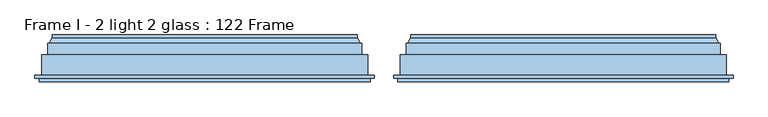
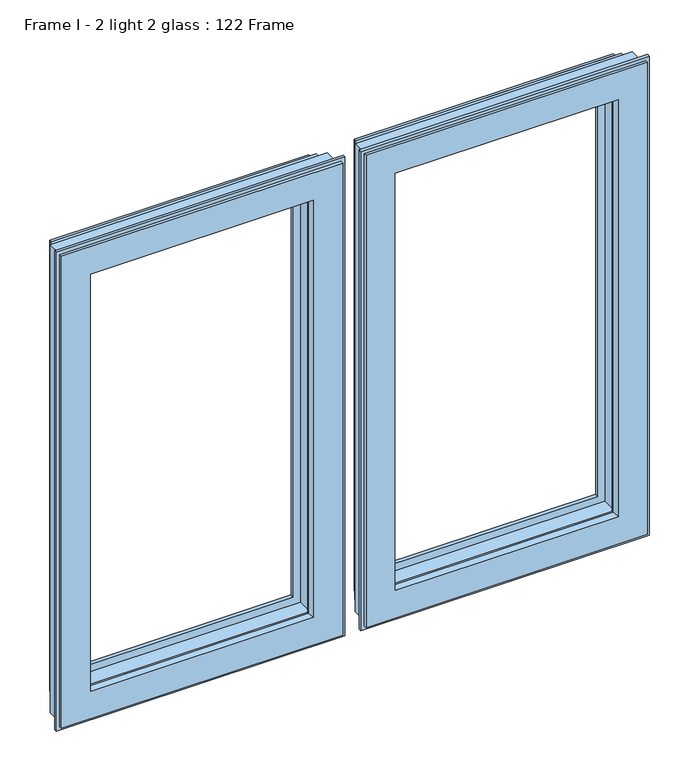
"""IFC4 building model written with IfcOpenShell, lengths in millimetres: window geometry, Frame I - 2 light 2 glass : 122 Frame."""

from ifc_helpers import new_model, si_unit, frame, origin, place, context, project, spatial, polyline, ellipse_curve, source, transform, mapped, element, save
from ifc_brep_helpers import plane_surface, cylinder_surface, revolved_surface, advanced_brep


def frame_i_2_light_2_glass_122_frame_6c9105bb(model_context):
    return source(origin(), model_context, "Body", "AdvancedBrep", [
        advanced_brep(
        [(43.2001533, 148.4070391, 1768.7998467), (43.2001533, 153.0, 1768.7998467), (43.2001533, 153.0, 867.6001533), (43.2001533, 148.4070391, 867.6001533), (532.3998467, 153.0, 1768.7998467), (532.3998467, 153.0, 867.6001533), (62.6368924, 153.0, 887.0368924), (512.9631076, 153.0, 887.0368924), (512.9631076, 153.0, 1749.3631076), (62.6368924, 153.0, 1749.3631076), (532.3998467, 148.4070391, 867.6001533), (37.9260611, 139.5531262, 1774.0739389), (37.9260611, 139.5531262, 862.3260611), (537.6739389, 139.5531262, 862.3260611), (36.0866045, 139.5531262, 1775.9133955), (539.5133955, 139.5531262, 1775.9133955), (539.5133955, 139.5531262, 860.4866045), (36.0866045, 139.5531262, 860.4866045), (537.6739389, 139.5531262, 1774.0739389), (36.0866045, 121.0, 1775.9133955), (36.0866045, 121.0, 860.4866045), (539.5133955, 121.0, 860.4866045), (26.0866045, 121.0, 1785.9133955), (549.5133955, 121.0, 1785.9133955), (549.5133955, 121.0, 850.4866045), (26.0866045, 121.0, 850.4866045), (539.5133955, 121.0, 1775.9133955), (26.0866045, 88.5, 1785.9133955), (26.0866045, 88.5, 850.4866045), (549.5133955, 88.5, 850.4866045), (15.3023, 88.5, 1796.6977), (560.2976999, 88.5, 1796.6977), (560.2976999, 88.5, 839.7023001), (15.3023, 88.5, 839.7023001), (549.5133955, 88.5, 1785.9133955), (15.3023, 83.5, 1796.6977), (15.3023, 83.5, 839.7023001), (560.2976999, 83.5, 839.7023001), (560.2976999, 83.5, 1796.6977), (22.1, 83.5, 1789.9), (553.5, 83.5, 1789.9), (553.5, 83.5, 846.5), (22.1, 83.5, 846.5), (22.1, 78.0, 1789.9), (22.1, 78.0, 846.5), (553.5, 78.0, 846.5), (553.5, 78.0, 1789.9), (77.2842184, 78.0, 1734.7157816), (498.3157816, 78.0, 1734.7157816), (498.3157816, 78.0, 901.6842184), (77.2842184, 78.0, 901.6842184), (79.5996933, 88.8934531, 1732.4003067), (79.5996933, 88.8934531, 903.9996933), (496.0003067, 88.8934531, 903.9996933), (79.5996933, 93.0, 1732.4003067), (79.5996933, 93.0, 903.9996933), (496.0003067, 93.0, 903.9996933), (65.6, 93.0, 1746.4), (510.0, 93.0, 1746.4), (510.0, 93.0, 890.0), (65.6, 93.0, 890.0), (496.0003067, 93.0, 1732.4003067), (65.6, 141.0, 1746.4), (65.6, 141.0, 890.0), (510.0, 141.0, 890.0), (510.0, 141.0, 1746.4), (80.0121514, 141.0, 1731.9878486), (495.5878486, 141.0, 1731.9878486), (495.5878486, 141.0, 904.4121514), (80.0121514, 141.0, 904.4121514), (76.3433832, 153.0, 1735.6566168), (76.3433832, 153.0, 900.7433832), (499.2566168, 153.0, 900.7433832), (69.5650956, 153.0, 1742.4349044), (506.0349044, 153.0, 1742.4349044), (506.0349044, 153.0, 893.9650956), (69.5650956, 153.0, 893.9650956), (499.2566168, 153.0, 1735.6566168), (68.2660575, 152.25, 1743.7339425), (68.2660575, 152.25, 892.6660575), (507.3339425, 152.25, 892.6660575), (63.9359305, 152.25, 1748.0640695), (63.9359305, 152.25, 888.3359305), (511.6640695, 152.25, 888.3359305), (532.3998467, 148.4070391, 1768.7998467), (496.0003067, 88.8934531, 1732.4003067), (507.3339425, 152.25, 1743.7339425), (511.6640695, 152.25, 1748.0640695)],
        [
            (0, 1),
            (1, 2),
            (2, 3),
            (3, 0),
            (1, 4),
            (4, 5),
            (5, 2),
            (6, 7),
            (7, 8),
            (8, 9),
            (9, 6),
            (5, 10),
            (10, 3),
            (11, 0),
            (3, 12),
            (12, 11),
            (10, 13),
            (13, 12),
            (14, 15),
            (15, 16),
            (16, 17),
            (17, 14),
            (13, 18),
            (18, 11),
            (19, 14),
            (17, 20),
            (20, 19),
            (16, 21),
            (21, 20),
            (22, 23),
            (23, 24),
            (24, 25),
            (25, 22),
            (21, 26),
            (26, 19),
            (27, 22),
            (25, 28),
            (28, 27),
            (24, 29),
            (29, 28),
            (30, 31),
            (31, 32),
            (32, 33),
            (33, 30),
            (29, 34),
            (34, 27),
            (35, 30),
            (33, 36),
            (36, 35),
            (32, 37),
            (37, 36),
            (37, 38),
            (38, 35),
            (39, 40),
            (40, 41),
            (41, 42),
            (42, 39),
            (43, 39),
            (42, 44),
            (44, 43),
            (41, 45),
            (45, 44),
            (45, 46),
            (46, 43),
            (47, 48),
            (48, 49),
            (49, 50),
            (50, 47),
            (51, 47),
            (50, 52),
            (52, 51),
            (49, 53),
            (53, 52),
            (54, 51),
            (52, 55),
            (55, 54),
            (53, 56),
            (56, 55),
            (57, 58),
            (58, 59),
            (59, 60),
            (60, 57),
            (56, 61),
            (61, 54),
            (62, 57),
            (60, 63),
            (63, 62),
            (59, 64),
            (64, 63),
            (64, 65),
            (65, 62),
            (66, 67),
            (67, 68),
            (68, 69),
            (69, 66),
            (70, 66),
            (69, 71),
            (71, 70),
            (68, 72),
            (72, 71),
            (73, 74),
            (74, 75),
            (75, 76),
            (76, 73),
            (72, 77),
            (77, 70),
            (78, 73, ellipse_curve(frame((69.5650956, 151.5, 1742.4349044), z_axis=(-0.7071067811865475, 0.0, -0.7071067811865475), x_axis=(-0.7071067811865474, 0.0, 0.7071067811865476)), 2.1213203, 1.5)),
            (76, 79, ellipse_curve(frame((69.5650956, 151.5, 893.9650956), z_axis=(-0.7071067811865475, 0.0, 0.7071067811865475), x_axis=(0.7071067811865474, 0.0, 0.7071067811865476)), 2.1213203, 1.5)),
            (79, 78),
            (75, 80, ellipse_curve(frame((506.0349044, 151.5, 893.9650956), z_axis=(-0.7071067811865475, 0.0, -0.7071067811865475), x_axis=(-0.7071067811865476, 0.0, 0.7071067811865474)), 2.1213203, 1.5)),
            (80, 79),
            (81, 78, ellipse_curve(frame((66.100994, 153.5, 1745.899006), z_axis=(0.7071067811865475, 0.0, 0.7071067811865475), x_axis=(0.7071067811865474, 0.0, -0.7071067811865476)), 3.5355339, 2.5)),
            (79, 82, ellipse_curve(frame((66.100994, 153.5, 890.500994), z_axis=(0.7071067811865475, 0.0, -0.7071067811865475), x_axis=(-0.7071067811865474, 0.0, -0.7071067811865476)), 3.5355339, 2.5)),
            (82, 81),
            (80, 83, ellipse_curve(frame((509.499006, 153.5, 890.500994), z_axis=(0.7071067811865475, 0.0, 0.7071067811865475), x_axis=(0.7071067811865476, 0.0, -0.7071067811865474)), 3.5355339, 2.5)),
            (83, 82),
            (9, 81, ellipse_curve(frame((62.6368924, 151.5, 1749.3631076), z_axis=(-0.7071067811865475, 0.0, -0.7071067811865475), x_axis=(-0.7071067811865474, 0.0, 0.7071067811865476)), 2.1213203, 1.5)),
            (82, 6, ellipse_curve(frame((62.6368924, 151.5, 887.0368924), z_axis=(-0.7071067811865475, 0.0, 0.7071067811865475), x_axis=(0.7071067811865474, 0.0, 0.7071067811865476)), 2.1213203, 1.5)),
            (83, 7, ellipse_curve(frame((512.9631076, 151.5, 887.0368924), z_axis=(-0.7071067811865475, 0.0, -0.7071067811865475), x_axis=(-0.7071067811865476, 0.0, 0.7071067811865474)), 2.1213203, 1.5)),
            (4, 84),
            (84, 10),
            (84, 18),
            (15, 26),
            (23, 34),
            (31, 38),
            (40, 46),
            (48, 85),
            (85, 53),
            (85, 61),
            (58, 65),
            (67, 77),
            (74, 86, ellipse_curve(frame((506.0349044, 151.5, 1742.4349044), z_axis=(0.7071067811865475, 0.0, -0.7071067811865475), x_axis=(-0.7071067811865474, 0.0, -0.7071067811865476)), 2.1213203, 1.5)),
            (86, 80),
            (86, 87, ellipse_curve(frame((509.499006, 153.5, 1745.899006), z_axis=(-0.7071067811865475, 0.0, 0.7071067811865475), x_axis=(0.7071067811865474, 0.0, 0.7071067811865476)), 3.5355339, 2.5)),
            (87, 83),
            (87, 8, ellipse_curve(frame((512.9631076, 151.5, 1749.3631076), z_axis=(0.7071067811865475, 0.0, -0.7071067811865475), x_axis=(-0.7071067811865474, 0.0, -0.7071067811865476)), 2.1213203, 1.5)),
            (0, 84),
            (51, 85),
            (78, 86),
            (81, 87),
        ],
        [
            plane_surface(frame((43.2001533, 153.0, 1768.7998467), z_axis=(-1.0, 0.0, 0.0), x_axis=(0.0, 0.0, -1.0))),
            plane_surface(frame((512.9631076, 153.0, 1749.3631076), z_axis=(0.0, 1.0, 0.0), x_axis=(-1.0, 0.0, 0.0))),
            plane_surface(frame((43.2001533, 153.0, 867.6001533), z_axis=(0.0, 0.0, -1.0), x_axis=(1.0, 0.0, 0.0))),
            plane_surface(frame((43.2001533, 148.4070391, 1768.7998467), z_axis=(-0.8591262587254928, 0.5117636872310675, 0.0), x_axis=(0.0, 0.0, -1.0))),
            plane_surface(frame((43.2001533, 148.4070391, 867.6001533), z_axis=(0.0, 0.5117636872310675, -0.8591262587254928), x_axis=(1.0, 0.0, 0.0))),
            plane_surface(frame((537.6739389, 139.5531262, 1774.0739389), z_axis=(0.0, 1.0, 0.0), x_axis=(-1.0, 0.0, 0.0))),
            plane_surface(frame((36.0866045, 139.5531262, 1775.9133955), z_axis=(-1.0, 0.0, 0.0), x_axis=(0.0, 0.0, -1.0))),
            plane_surface(frame((36.0866045, 139.5531262, 860.4866045), z_axis=(0.0, 0.0, -1.0), x_axis=(1.0, 0.0, 0.0))),
            plane_surface(frame((539.5133955, 121.0, 1775.9133955), z_axis=(0.0, 1.0, 0.0), x_axis=(-1.0, 0.0, 0.0))),
            plane_surface(frame((26.0866045, 121.0, 1785.9133955), z_axis=(-1.0, 0.0, 0.0), x_axis=(0.0, 0.0, -1.0))),
            plane_surface(frame((26.0866045, 121.0, 850.4866045), z_axis=(0.0, 0.0, -1.0), x_axis=(1.0, 0.0, 0.0))),
            plane_surface(frame((549.5133955, 88.5, 1785.9133955), z_axis=(0.0, 1.0, 0.0), x_axis=(-1.0, 0.0, 0.0))),
            plane_surface(frame((15.3023, 88.5, 1796.6977), z_axis=(-1.0, 0.0, 0.0), x_axis=(0.0, 0.0, -1.0))),
            plane_surface(frame((15.3023, 88.5, 839.7023001), z_axis=(0.0, 0.0, -1.0), x_axis=(1.0, 0.0, 0.0))),
            plane_surface(frame((560.2976999, 83.5, 1796.6977), z_axis=(0.0, -1.0, 0.0), x_axis=(-1.0, 0.0, 0.0))),
            plane_surface(frame((22.1, 83.5, 1789.9), z_axis=(-1.0, 0.0, 0.0), x_axis=(0.0, 0.0, -1.0))),
            plane_surface(frame((22.1, 83.5, 846.5), z_axis=(0.0, 0.0, -1.0), x_axis=(1.0, 0.0, 0.0))),
            plane_surface(frame((553.5, 78.0, 1789.9), z_axis=(0.0, -1.0, 0.0), x_axis=(-1.0, 0.0, 0.0))),
            plane_surface(frame((77.2842184, 78.0, 1734.7157816), z_axis=(0.9781476007338059, -0.20791169081775832, 0.0), x_axis=(0.0, 0.0, -1.0))),
            plane_surface(frame((77.2842184, 78.0, 901.6842184), z_axis=(0.0, -0.20791169081775832, 0.9781476007338059), x_axis=(1.0, 0.0, 0.0))),
            plane_surface(frame((79.5996933, 88.8934531, 1732.4003067), z_axis=(1.0, 0.0, 0.0), x_axis=(0.0, 0.0, -1.0))),
            plane_surface(frame((79.5996933, 88.8934531, 903.9996933), z_axis=(0.0, 0.0, 1.0), x_axis=(1.0, 0.0, 0.0))),
            plane_surface(frame((496.0003067, 93.0, 1732.4003067), z_axis=(0.0, 1.0, 0.0), x_axis=(-1.0, 0.0, 0.0))),
            plane_surface(frame((65.6, 93.0, 1746.4), z_axis=(1.0, 0.0, 0.0), x_axis=(0.0, 0.0, -1.0))),
            plane_surface(frame((65.6, 93.0, 890.0), z_axis=(0.0, 0.0, 1.0), x_axis=(1.0, 0.0, 0.0))),
            plane_surface(frame((510.0, 141.0, 1746.4), z_axis=(0.0, -1.0, 0.0), x_axis=(-1.0, 0.0, 0.0))),
            plane_surface(frame((80.0121514, 141.0, 1731.9878486), z_axis=(0.9563047559629767, 0.29237170472292917, 0.0), x_axis=(0.0, 0.0, -1.0))),
            plane_surface(frame((80.0121514, 141.0, 904.4121514), z_axis=(0.0, 0.29237170472292917, 0.9563047559629767), x_axis=(1.0, 0.0, 0.0))),
            plane_surface(frame((499.2566168, 153.0, 1735.6566168), z_axis=(0.0, 1.0, 0.0), x_axis=(-1.0, 0.0, 0.0))),
            cylinder_surface(frame((69.5650956, 151.5, 1774.0), z_axis=(0.0, 0.0, 1.0), x_axis=(0.0, 1.0, 0.0)), 1.5),
            cylinder_surface(frame((38.0, 151.5, 893.9650956), z_axis=(-1.0, 0.0, 0.0), x_axis=(0.0, 1.0, 0.0)), 1.5),
            revolved_surface(polyline([(66.100994, 156.0, 888.000994004195), (66.100994, 156.0, 1748.399005995805)]), (66.100994, 153.5, 1774.0), (0.0, 0.0, -1.0)),
            revolved_surface(polyline([(511.9990059958049, 156.0, 890.500994), (63.60099400419508, 156.0, 890.500994)]), (38.0, 153.5, 890.500994), (1.0, 0.0, 0.0)),
            cylinder_surface(frame((62.6368924, 151.5, 1774.0), z_axis=(0.0, 0.0, 1.0), x_axis=(0.0, 1.0, 0.0)), 1.5),
            cylinder_surface(frame((38.0, 151.5, 887.0368924), z_axis=(-1.0, 0.0, 0.0), x_axis=(0.0, 1.0, 0.0)), 1.5),
            plane_surface(frame((532.3998467, 153.0, 867.6001533), z_axis=(1.0, 0.0, 0.0), x_axis=(0.0, 0.0, 1.0))),
            plane_surface(frame((532.3998467, 148.4070391, 867.6001533), z_axis=(0.8591262587254928, 0.5117636872310675, 0.0), x_axis=(0.0, 0.0, 1.0))),
            plane_surface(frame((539.5133955, 139.5531262, 860.4866045), z_axis=(1.0, 0.0, 0.0), x_axis=(0.0, 0.0, 1.0))),
            plane_surface(frame((549.5133955, 121.0, 850.4866045), z_axis=(1.0, 0.0, 0.0), x_axis=(0.0, 0.0, 1.0))),
            plane_surface(frame((560.2976999, 88.5, 839.7023001), z_axis=(1.0, 0.0, 0.0), x_axis=(0.0, 0.0, 1.0))),
            plane_surface(frame((553.5, 83.5, 846.5), z_axis=(1.0, 0.0, 0.0), x_axis=(0.0, 0.0, 1.0))),
            plane_surface(frame((498.3157816, 78.0, 901.6842184), z_axis=(-0.9781476007338059, -0.20791169081775832, 0.0), x_axis=(0.0, 0.0, 1.0))),
            plane_surface(frame((496.0003067, 88.8934531, 903.9996933), z_axis=(-1.0, 0.0, 0.0), x_axis=(0.0, 0.0, 1.0))),
            plane_surface(frame((510.0, 93.0, 890.0), z_axis=(-1.0, 0.0, 0.0), x_axis=(0.0, 0.0, 1.0))),
            plane_surface(frame((495.5878486, 141.0, 904.4121514), z_axis=(-0.9563047559629767, 0.29237170472292917, 0.0), x_axis=(0.0, 0.0, 1.0))),
            cylinder_surface(frame((506.0349044, 151.5, 862.4), z_axis=(0.0, 0.0, -1.0), x_axis=(0.0, 1.0, 0.0)), 1.5),
            revolved_surface(polyline([(509.499006, 156.0, 1748.399005995805), (509.499006, 156.0, 888.000994004195)]), (509.499006, 153.5, 862.4), (0.0, 0.0, 1.0)),
            cylinder_surface(frame((512.9631076, 151.5, 862.4), z_axis=(0.0, 0.0, -1.0), x_axis=(0.0, 1.0, 0.0)), 1.5),
            plane_surface(frame((532.3998467, 153.0, 1768.7998467), z_axis=(0.0, 0.0, 1.0), x_axis=(-1.0, 0.0, 0.0))),
            plane_surface(frame((532.3998467, 148.4070391, 1768.7998467), z_axis=(0.0, 0.5117636872310675, 0.8591262587254928), x_axis=(-1.0, 0.0, 0.0))),
            plane_surface(frame((539.5133955, 139.5531262, 1775.9133955), z_axis=(0.0, 0.0, 1.0), x_axis=(-1.0, 0.0, 0.0))),
            plane_surface(frame((549.5133955, 121.0, 1785.9133955), z_axis=(0.0, 0.0, 1.0), x_axis=(-1.0, 0.0, 0.0))),
            plane_surface(frame((560.2976999, 88.5, 1796.6977), z_axis=(0.0, 0.0, 1.0), x_axis=(-1.0, 0.0, 0.0))),
            plane_surface(frame((553.5, 83.5, 1789.9), z_axis=(0.0, 0.0, 1.0), x_axis=(-1.0, 0.0, 0.0))),
            plane_surface(frame((498.3157816, 78.0, 1734.7157816), z_axis=(0.0, -0.20791169081775832, -0.9781476007338059), x_axis=(-1.0, 0.0, 0.0))),
            plane_surface(frame((496.0003067, 88.8934531, 1732.4003067), z_axis=(0.0, 0.0, -1.0), x_axis=(-1.0, 0.0, 0.0))),
            plane_surface(frame((510.0, 93.0, 1746.4), z_axis=(0.0, 0.0, -1.0), x_axis=(-1.0, 0.0, 0.0))),
            plane_surface(frame((495.5878486, 141.0, 1731.9878486), z_axis=(0.0, 0.29237170472292917, -0.9563047559629767), x_axis=(-1.0, 0.0, 0.0))),
            cylinder_surface(frame((537.6, 151.5, 1742.4349044), z_axis=(1.0, 0.0, 0.0), x_axis=(0.0, 1.0, 0.0)), 1.5),
            revolved_surface(polyline([(63.600994004195115, 156.0, 1745.899006), (511.9990059958049, 156.0, 1745.899006)]), (537.6, 153.5, 1745.899006), (-1.0, 0.0, 0.0)),
            cylinder_surface(frame((537.6, 151.5, 1749.3631076), z_axis=(1.0, 0.0, 0.0), x_axis=(0.0, 1.0, 0.0)), 1.5),
        ],
        [
            (0, [[1, 2, 3, 4]]),
            (1, [[5, 6, 7, -2], [8, 9, 10, 11]]),
            (2, [[-3, -7, 12, 13]]),
            (3, [[14, -4, 15, 16]]),
            (4, [[-15, -13, 17, 18]]),
            (5, [[19, 20, 21, 22], [-18, 23, 24, -16]]),
            (6, [[25, -22, 26, 27]]),
            (7, [[-26, -21, 28, 29]]),
            (8, [[30, 31, 32, 33], [-29, 34, 35, -27]]),
            (9, [[36, -33, 37, 38]]),
            (10, [[-37, -32, 39, 40]]),
            (11, [[41, 42, 43, 44], [-40, 45, 46, -38]]),
            (12, [[47, -44, 48, 49]]),
            (13, [[-48, -43, 50, 51]]),
            (14, [[-51, 52, 53, -49], [54, 55, 56, 57]]),
            (15, [[58, -57, 59, 60]]),
            (16, [[-59, -56, 61, 62]]),
            (17, [[-62, 63, 64, -60], [65, 66, 67, 68]]),
            (18, [[69, -68, 70, 71]]),
            (19, [[-70, -67, 72, 73]]),
            (20, [[74, -71, 75, 76]]),
            (21, [[-75, -73, 77, 78]]),
            (22, [[79, 80, 81, 82], [-78, 83, 84, -76]]),
            (23, [[85, -82, 86, 87]]),
            (24, [[-86, -81, 88, 89]]),
            (25, [[-89, 90, 91, -87], [92, 93, 94, 95]]),
            (26, [[96, -95, 97, 98]]),
            (27, [[-97, -94, 99, 100]]),
            (28, [[101, 102, 103, 104], [-100, 105, 106, -98]]),
            (29, [[107, -104, 108, 109]]),
            (30, [[-108, -103, 110, 111]]),
            (31, [[112, -109, 113, 114]]),
            (32, [[-113, -111, 115, 116]]),
            (33, [[117, -114, 118, -11]]),
            (34, [[-118, -116, 119, -8]]),
            (35, [[-12, -6, 120, 121]]),
            (36, [[-17, -121, 122, -23]]),
            (37, [[-28, -20, 123, -34]]),
            (38, [[-39, -31, 124, -45]]),
            (39, [[-50, -42, 125, -52]]),
            (40, [[-61, -55, 126, -63]]),
            (41, [[-72, -66, 127, 128]]),
            (42, [[-77, -128, 129, -83]]),
            (43, [[-88, -80, 130, -90]]),
            (44, [[-99, -93, 131, -105]]),
            (45, [[-110, -102, 132, 133]]),
            (46, [[-115, -133, 134, 135]]),
            (47, [[-119, -135, 136, -9]]),
            (48, [[-120, -5, -1, 137]]),
            (49, [[-122, -137, -14, -24]]),
            (50, [[-123, -19, -25, -35]]),
            (51, [[-124, -30, -36, -46]]),
            (52, [[-125, -41, -47, -53]]),
            (53, [[-126, -54, -58, -64]]),
            (54, [[-127, -65, -69, 138]]),
            (55, [[-129, -138, -74, -84]]),
            (56, [[-130, -79, -85, -91]]),
            (57, [[-131, -92, -96, -106]]),
            (58, [[-132, -101, -107, 139]]),
            (59, [[-134, -139, -112, 140]]),
            (60, [[-136, -140, -117, -10]]),
        ],
    ),
        advanced_brep(
        [(-43.2001533, 153.0, 1768.7998467), (-43.2001533, 148.4070391, 1768.7998467), (-43.2001533, 148.4070391, 867.6001533), (-43.2001533, 153.0, 867.6001533), (-37.9260611, 139.5531262, 1774.0739389), (-37.9260611, 139.5531262, 862.3260611), (-532.3998467, 148.4070391, 867.6001533), (-532.3998467, 153.0, 867.6001533), (-532.3998467, 153.0, 1768.7998467), (-62.6368924, 153.0, 1749.3631076), (-512.9631076, 153.0, 1749.3631076), (-512.9631076, 153.0, 887.0368924), (-62.6368924, 153.0, 887.0368924), (-36.0866045, 139.5531262, 860.4866045), (-539.5133955, 139.5531262, 860.4866045), (-539.5133955, 139.5531262, 1775.9133955), (-36.0866045, 139.5531262, 1775.9133955), (-537.6739389, 139.5531262, 1774.0739389), (-537.6739389, 139.5531262, 862.3260611), (-36.0866045, 121.0, 1775.9133955), (-36.0866045, 121.0, 860.4866045), (-26.0866045, 121.0, 850.4866045), (-549.5133955, 121.0, 850.4866045), (-549.5133955, 121.0, 1785.9133955), (-26.0866045, 121.0, 1785.9133955), (-539.5133955, 121.0, 1775.9133955), (-539.5133955, 121.0, 860.4866045), (-26.0866045, 88.5, 1785.9133955), (-26.0866045, 88.5, 850.4866045), (-15.3023, 88.5, 839.7023001), (-560.2977, 88.5, 839.7023001), (-560.2977, 88.5, 1796.6977), (-15.3023, 88.5, 1796.6977), (-549.5133955, 88.5, 1785.9133955), (-549.5133955, 88.5, 850.4866045), (-15.3023, 83.5, 1796.6977), (-15.3023, 83.5, 839.7023001), (-560.2977, 83.5, 1796.6977), (-560.2977, 83.5, 839.7023001), (-22.1, 83.5, 846.5), (-553.5, 83.5, 846.5), (-553.5, 83.5, 1789.9), (-22.1, 83.5, 1789.9), (-22.1, 78.0, 1789.9), (-22.1, 78.0, 846.5), (-553.5, 78.0, 1789.9), (-553.5, 78.0, 846.5), (-77.2842184, 78.0, 901.6842184), (-498.3157816, 78.0, 901.6842184), (-498.3157816, 78.0, 1734.7157816), (-77.2842184, 78.0, 1734.7157816), (-79.5996933, 88.8934531, 1732.4003067), (-79.5996933, 88.8934531, 903.9996933), (-79.5996933, 93.0, 1732.4003067), (-79.5996933, 93.0, 903.9996933), (-496.0003067, 88.8934531, 903.9996933), (-65.6, 93.0, 890.0), (-510.0, 93.0, 890.0), (-510.0, 93.0, 1746.4), (-65.6, 93.0, 1746.4), (-496.0003067, 93.0, 1732.4003067), (-496.0003067, 93.0, 903.9996933), (-65.6, 141.0, 1746.4), (-65.6, 141.0, 890.0), (-510.0, 141.0, 1746.4), (-510.0, 141.0, 890.0), (-80.0121514, 141.0, 904.4121514), (-495.5878486, 141.0, 904.4121514), (-495.5878486, 141.0, 1731.9878486), (-80.0121514, 141.0, 1731.9878486), (-76.3433832, 153.0, 1735.6566168), (-76.3433832, 153.0, 900.7433832), (-69.5650956, 153.0, 893.9650956), (-506.0349044, 153.0, 893.9650956), (-506.0349044, 153.0, 1742.4349044), (-69.5650956, 153.0, 1742.4349044), (-499.2566168, 153.0, 1735.6566168), (-499.2566168, 153.0, 900.7433832), (-68.2660575, 152.25, 1743.7339425), (-68.2660575, 152.25, 892.6660575), (-63.9359305, 152.25, 1748.0640695), (-63.9359305, 152.25, 888.3359305), (-507.3339425, 152.25, 892.6660575), (-511.6640695, 152.25, 888.3359305), (-532.3998467, 148.4070391, 1768.7998467), (-496.0003067, 88.8934531, 1732.4003067), (-507.3339425, 152.25, 1743.7339425), (-511.6640695, 152.25, 1748.0640695)],
        [
            (0, 1),
            (1, 2),
            (2, 3),
            (3, 0),
            (1, 4),
            (4, 5),
            (5, 2),
            (2, 6),
            (6, 7),
            (7, 3),
            (7, 8),
            (8, 0),
            (9, 10),
            (10, 11),
            (11, 12),
            (12, 9),
            (13, 14),
            (14, 15),
            (15, 16),
            (16, 13),
            (4, 17),
            (17, 18),
            (18, 5),
            (18, 6),
            (16, 19),
            (19, 20),
            (20, 13),
            (21, 22),
            (22, 23),
            (23, 24),
            (24, 21),
            (19, 25),
            (25, 26),
            (26, 20),
            (26, 14),
            (24, 27),
            (27, 28),
            (28, 21),
            (29, 30),
            (30, 31),
            (31, 32),
            (32, 29),
            (27, 33),
            (33, 34),
            (34, 28),
            (34, 22),
            (32, 35),
            (35, 36),
            (36, 29),
            (35, 37),
            (37, 38),
            (38, 36),
            (39, 40),
            (40, 41),
            (41, 42),
            (42, 39),
            (38, 30),
            (42, 43),
            (43, 44),
            (44, 39),
            (43, 45),
            (45, 46),
            (46, 44),
            (47, 48),
            (48, 49),
            (49, 50),
            (50, 47),
            (46, 40),
            (50, 51),
            (51, 52),
            (52, 47),
            (51, 53),
            (53, 54),
            (54, 52),
            (52, 55),
            (55, 48),
            (56, 57),
            (57, 58),
            (58, 59),
            (59, 56),
            (53, 60),
            (60, 61),
            (61, 54),
            (61, 55),
            (59, 62),
            (62, 63),
            (63, 56),
            (62, 64),
            (64, 65),
            (65, 63),
            (66, 67),
            (67, 68),
            (68, 69),
            (69, 66),
            (65, 57),
            (69, 70),
            (70, 71),
            (71, 66),
            (72, 73),
            (73, 74),
            (74, 75),
            (75, 72),
            (70, 76),
            (76, 77),
            (77, 71),
            (77, 67),
            (75, 78, ellipse_curve(frame((-69.5650956, 151.5, 1742.4349044), z_axis=(0.7071067811865471, 0.0, -0.7071067811865479), x_axis=(0.7071067811865478, 0.0, 0.7071067811865471)), 2.1213203, 1.5)),
            (78, 79),
            (79, 72, ellipse_curve(frame((-69.5650956, 151.5, 893.9650956), z_axis=(0.7071067811865476, 0.0, 0.7071067811865474), x_axis=(-0.7071067811865472, 0.0, 0.7071067811865478)), 2.1213203, 1.5)),
            (78, 80, ellipse_curve(frame((-66.100994, 153.5, 1745.899006), z_axis=(-0.7071067811865471, 0.0, 0.7071067811865479), x_axis=(-0.7071067811865478, 0.0, -0.7071067811865471)), 3.5355339, 2.5)),
            (80, 81),
            (81, 79, ellipse_curve(frame((-66.100994, 153.5, 890.500994), z_axis=(-0.7071067811865476, 0.0, -0.7071067811865474), x_axis=(0.7071067811865472, 0.0, -0.7071067811865478)), 3.5355339, 2.5)),
            (79, 82),
            (82, 73, ellipse_curve(frame((-506.0349044, 151.5, 893.9650956), z_axis=(0.7071067811865474, 0.0, -0.7071067811865476), x_axis=(0.7071067811865478, 0.0, 0.7071067811865472)), 2.1213203, 1.5)),
            (80, 9, ellipse_curve(frame((-62.6368924, 151.5, 1749.3631076), z_axis=(0.7071067811865471, 0.0, -0.7071067811865479), x_axis=(0.7071067811865478, 0.0, 0.7071067811865471)), 2.1213203, 1.5)),
            (12, 81, ellipse_curve(frame((-62.6368924, 151.5, 887.0368924), z_axis=(0.7071067811865476, 0.0, 0.7071067811865474), x_axis=(-0.7071067811865472, 0.0, 0.7071067811865478)), 2.1213203, 1.5)),
            (81, 83),
            (83, 82, ellipse_curve(frame((-509.499006, 153.5, 890.500994), z_axis=(-0.7071067811865474, 0.0, 0.7071067811865476), x_axis=(-0.7071067811865478, 0.0, -0.7071067811865472)), 3.5355339, 2.5)),
            (11, 83, ellipse_curve(frame((-512.9631076, 151.5, 887.0368924), z_axis=(0.7071067811865474, 0.0, -0.7071067811865476), x_axis=(0.7071067811865478, 0.0, 0.7071067811865472)), 2.1213203, 1.5)),
            (6, 84),
            (84, 8),
            (17, 84),
            (25, 15),
            (33, 23),
            (37, 31),
            (45, 41),
            (55, 85),
            (85, 49),
            (60, 85),
            (64, 58),
            (76, 68),
            (82, 86),
            (86, 74, ellipse_curve(frame((-506.0349044, 151.5, 1742.4349044), z_axis=(-0.7071067811865479, 0.0, -0.7071067811865471), x_axis=(0.7071067811865471, 0.0, -0.707106781186548)), 2.1213203, 1.5)),
            (83, 87),
            (87, 86, ellipse_curve(frame((-509.499006, 153.5, 1745.899006), z_axis=(0.7071067811865479, 0.0, 0.7071067811865471), x_axis=(-0.7071067811865471, 0.0, 0.707106781186548)), 3.5355339, 2.5)),
            (10, 87, ellipse_curve(frame((-512.9631076, 151.5, 1749.3631076), z_axis=(-0.7071067811865479, 0.0, -0.7071067811865471), x_axis=(0.7071067811865471, 0.0, -0.707106781186548)), 2.1213203, 1.5)),
            (84, 1),
            (85, 51),
            (86, 78),
            (87, 80),
        ],
        [
            plane_surface(frame((-43.2001533, 148.4070391, 1768.7998467), z_axis=(1.0, 0.0, 0.0), x_axis=(0.0, 0.0, -1.0))),
            plane_surface(frame((-37.9260611, 139.5531262, 1774.0739389), z_axis=(0.8591262587254928, 0.5117636872310675, 0.0), x_axis=(0.0, 0.0, -1.0))),
            plane_surface(frame((-43.2001533, 148.4070391, 867.6001533), z_axis=(0.0, 0.0, -1.0), x_axis=(-1.0, 0.0, 0.0))),
            plane_surface(frame((-532.3998467, 153.0, 1768.7998467), z_axis=(0.0, 1.0, 0.0), x_axis=(1.0, 0.0, 0.0))),
            plane_surface(frame((-539.5133955, 139.5531262, 1775.9133955), z_axis=(0.0, 1.0, 0.0), x_axis=(1.0, 0.0, 0.0))),
            plane_surface(frame((-37.9260611, 139.5531262, 862.3260611), z_axis=(0.0, 0.5117636872310675, -0.8591262587254928), x_axis=(-1.0, 0.0, 0.0))),
            plane_surface(frame((-36.0866045, 121.0, 1775.9133955), z_axis=(1.0, 0.0, 0.0), x_axis=(0.0, 0.0, -1.0))),
            plane_surface(frame((-549.5133955, 121.0, 1785.9133955), z_axis=(0.0, 1.0, 0.0), x_axis=(1.0, 0.0, 0.0))),
            plane_surface(frame((-36.0866045, 121.0, 860.4866045), z_axis=(0.0, 0.0, -1.0), x_axis=(-1.0, 0.0, 0.0))),
            plane_surface(frame((-26.0866045, 88.5, 1785.9133955), z_axis=(1.0, 0.0, 0.0), x_axis=(0.0, 0.0, -1.0))),
            plane_surface(frame((-560.2977, 88.5, 1796.6977), z_axis=(0.0, 1.0, 0.0), x_axis=(1.0, 0.0, 0.0))),
            plane_surface(frame((-26.0866045, 88.5, 850.4866045), z_axis=(0.0, 0.0, -1.0), x_axis=(-1.0, 0.0, 0.0))),
            plane_surface(frame((-15.3023, 83.5, 1796.6977), z_axis=(1.0, 0.0, 0.0), x_axis=(0.0, 0.0, -1.0))),
            plane_surface(frame((-553.5, 83.5, 1789.9), z_axis=(0.0, -1.0, 0.0), x_axis=(1.0, 0.0, 0.0))),
            plane_surface(frame((-15.3023, 83.5, 839.7023001), z_axis=(0.0, 0.0, -1.0), x_axis=(-1.0, 0.0, 0.0))),
            plane_surface(frame((-22.1, 78.0, 1789.9), z_axis=(1.0, 0.0, 0.0), x_axis=(0.0, 0.0, -1.0))),
            plane_surface(frame((-498.3157816, 78.0, 1734.7157816), z_axis=(0.0, -1.0, 0.0), x_axis=(1.0, 0.0, 0.0))),
            plane_surface(frame((-22.1, 78.0, 846.5), z_axis=(0.0, 0.0, -1.0), x_axis=(-1.0, 0.0, 0.0))),
            plane_surface(frame((-79.5996933, 88.8934531, 1732.4003067), z_axis=(-0.9781476007338059, -0.20791169081775832, 0.0), x_axis=(0.0, 0.0, -1.0))),
            plane_surface(frame((-79.5996933, 93.0, 1732.4003067), z_axis=(-1.0, 0.0, 0.0), x_axis=(0.0, 0.0, -1.0))),
            plane_surface(frame((-79.5996933, 88.8934531, 903.9996933), z_axis=(0.0, -0.20791169081775832, 0.9781476007338059), x_axis=(-1.0, 0.0, 0.0))),
            plane_surface(frame((-510.0, 93.0, 1746.4), z_axis=(0.0, 1.0, 0.0), x_axis=(1.0, 0.0, 0.0))),
            plane_surface(frame((-79.5996933, 93.0, 903.9996933), z_axis=(0.0, 0.0, 1.0), x_axis=(-1.0, 0.0, 0.0))),
            plane_surface(frame((-65.6, 141.0, 1746.4), z_axis=(-1.0, 0.0, 0.0), x_axis=(0.0, 0.0, -1.0))),
            plane_surface(frame((-495.5878486, 141.0, 1731.9878486), z_axis=(0.0, -1.0, 0.0), x_axis=(1.0, 0.0, 0.0))),
            plane_surface(frame((-65.6, 141.0, 890.0), z_axis=(0.0, 0.0, 1.0), x_axis=(-1.0, 0.0, 0.0))),
            plane_surface(frame((-76.3433832, 153.0, 1735.6566168), z_axis=(-0.9563047559629768, 0.2923717047229288, 0.0), x_axis=(0.0, 0.0, -1.0))),
            plane_surface(frame((-506.0349044, 153.0, 1742.4349044), z_axis=(0.0, 1.0, 0.0), x_axis=(1.0, 0.0, 0.0))),
            plane_surface(frame((-76.3433832, 153.0, 900.7433832), z_axis=(0.0, 0.2923717047229288, 0.9563047559629768), x_axis=(-1.0, 0.0, 0.0))),
            cylinder_surface(frame((-69.5650956, 151.5, 1774.0), z_axis=(0.0, 0.0, 1.0), x_axis=(0.0, 1.0, 0.0)), 1.5),
            revolved_surface(polyline([(-66.100994, 156.0, 888.000994004195), (-66.100994, 156.0, 1748.399005995805)]), (-66.100994, 153.5, 1774.0), (0.0, 0.0, -1.0)),
            cylinder_surface(frame((-38.0, 151.5, 893.9650956), z_axis=(1.0, 0.0, 0.0), x_axis=(0.0, 1.0, 0.0)), 1.5),
            cylinder_surface(frame((-62.6368924, 151.5, 1774.0), z_axis=(0.0, 0.0, 1.0), x_axis=(0.0, 1.0, 0.0)), 1.5),
            revolved_surface(polyline([(-511.9990059958049, 156.0, 890.500994), (-63.60099400419508, 156.0, 890.500994)]), (-38.0, 153.5, 890.500994), (-1.0, 0.0, 0.0)),
            cylinder_surface(frame((-38.0, 151.5, 887.0368924), z_axis=(1.0, 0.0, 0.0), x_axis=(0.0, 1.0, 0.0)), 1.5),
            plane_surface(frame((-532.3998467, 148.4070391, 867.6001533), z_axis=(-1.0, 0.0, 0.0), x_axis=(0.0, 0.0, 1.0))),
            plane_surface(frame((-537.6739389, 139.5531262, 862.3260611), z_axis=(-0.8591262587254928, 0.5117636872310675, 0.0), x_axis=(0.0, 0.0, 1.0))),
            plane_surface(frame((-539.5133955, 121.0, 860.4866045), z_axis=(-1.0, 0.0, 0.0), x_axis=(0.0, 0.0, 1.0))),
            plane_surface(frame((-549.5133955, 88.5, 850.4866045), z_axis=(-1.0, 0.0, 0.0), x_axis=(0.0, 0.0, 1.0))),
            plane_surface(frame((-560.2977, 83.5, 839.7023001), z_axis=(-1.0, 0.0, 0.0), x_axis=(0.0, 0.0, 1.0))),
            plane_surface(frame((-553.5, 78.0, 846.5), z_axis=(-1.0, 0.0, 0.0), x_axis=(0.0, 0.0, 1.0))),
            plane_surface(frame((-496.0003067, 88.8934531, 903.9996933), z_axis=(0.9781476007338059, -0.20791169081775832, 0.0), x_axis=(0.0, 0.0, 1.0))),
            plane_surface(frame((-496.0003067, 93.0, 903.9996933), z_axis=(1.0, 0.0, 0.0), x_axis=(0.0, 0.0, 1.0))),
            plane_surface(frame((-510.0, 141.0, 890.0), z_axis=(1.0, 0.0, 0.0), x_axis=(0.0, 0.0, 1.0))),
            plane_surface(frame((-499.2566168, 153.0, 900.7433832), z_axis=(0.9563047559629768, 0.2923717047229288, 0.0), x_axis=(0.0, 0.0, 1.0))),
            cylinder_surface(frame((-506.0349044, 151.5, 862.4), z_axis=(0.0, 0.0, -1.0), x_axis=(0.0, 1.0, 0.0)), 1.5),
            revolved_surface(polyline([(-509.499006, 156.0, 1748.399005995805), (-509.499006, 156.0, 888.000994004195)]), (-509.499006, 153.5, 862.4), (0.0, 0.0, 1.0)),
            cylinder_surface(frame((-512.9631076, 151.5, 862.4), z_axis=(0.0, 0.0, -1.0), x_axis=(0.0, 1.0, 0.0)), 1.5),
            plane_surface(frame((-532.3998467, 148.4070391, 1768.7998467), z_axis=(0.0, 0.0, 1.0), x_axis=(1.0, 0.0, 0.0))),
            plane_surface(frame((-537.6739389, 139.5531262, 1774.0739389), z_axis=(0.0, 0.5117636872310676, 0.8591262587254928), x_axis=(1.0, 0.0, 0.0))),
            plane_surface(frame((-539.5133955, 121.0, 1775.9133955), z_axis=(0.0, 0.0, 1.0), x_axis=(1.0, 0.0, 0.0))),
            plane_surface(frame((-549.5133955, 88.5, 1785.9133955), z_axis=(0.0, 0.0, 1.0), x_axis=(1.0, 0.0, 0.0))),
            plane_surface(frame((-560.2977, 83.5, 1796.6977), z_axis=(0.0, 0.0, 1.0), x_axis=(1.0, 0.0, 0.0))),
            plane_surface(frame((-553.5, 78.0, 1789.9), z_axis=(0.0, 0.0, 1.0), x_axis=(1.0, 0.0, 0.0))),
            plane_surface(frame((-496.0003067, 88.8934531, 1732.4003067), z_axis=(0.0, -0.20791169081775837, -0.9781476007338059), x_axis=(1.0, 0.0, 0.0))),
            plane_surface(frame((-496.0003067, 93.0, 1732.4003067), z_axis=(0.0, 0.0, -1.0), x_axis=(1.0, 0.0, 0.0))),
            plane_surface(frame((-510.0, 141.0, 1746.4), z_axis=(0.0, 0.0, -1.0), x_axis=(1.0, 0.0, 0.0))),
            plane_surface(frame((-499.2566168, 153.0, 1735.6566168), z_axis=(0.0, 0.29237170472292884, -0.9563047559629768), x_axis=(1.0, 0.0, 0.0))),
            cylinder_surface(frame((-537.6, 151.5, 1742.4349044), z_axis=(-1.0, 0.0, 0.0), x_axis=(0.0, 1.0, 0.0)), 1.5),
            revolved_surface(polyline([(-63.600994004195115, 156.0, 1745.899006), (-511.9990059958049, 156.0, 1745.899006)]), (-537.6, 153.5, 1745.899006), (1.0, 0.0, 0.0)),
            cylinder_surface(frame((-537.6, 151.5, 1749.3631076), z_axis=(-1.0, 0.0, 0.0), x_axis=(0.0, 1.0, 0.0)), 1.5),
        ],
        [
            (0, [[1, 2, 3, 4]]),
            (1, [[5, 6, 7, -2]]),
            (2, [[-3, 8, 9, 10]]),
            (3, [[-10, 11, 12, -4], [13, 14, 15, 16]]),
            (4, [[17, 18, 19, 20], [21, 22, 23, -6]]),
            (5, [[-7, -23, 24, -8]]),
            (6, [[25, 26, 27, -20]]),
            (7, [[28, 29, 30, 31], [32, 33, 34, -26]]),
            (8, [[-27, -34, 35, -17]]),
            (9, [[36, 37, 38, -31]]),
            (10, [[39, 40, 41, 42], [43, 44, 45, -37]]),
            (11, [[-38, -45, 46, -28]]),
            (12, [[47, 48, 49, -42]]),
            (13, [[50, 51, 52, -48], [53, 54, 55, 56]]),
            (14, [[-49, -52, 57, -39]]),
            (15, [[58, 59, 60, -56]]),
            (16, [[61, 62, 63, -59], [64, 65, 66, 67]]),
            (17, [[-60, -63, 68, -53]]),
            (18, [[69, 70, 71, -67]]),
            (19, [[72, 73, 74, -70]]),
            (20, [[-71, 75, 76, -64]]),
            (21, [[77, 78, 79, 80], [81, 82, 83, -73]]),
            (22, [[-74, -83, 84, -75]]),
            (23, [[85, 86, 87, -80]]),
            (24, [[88, 89, 90, -86], [91, 92, 93, 94]]),
            (25, [[-87, -90, 95, -77]]),
            (26, [[96, 97, 98, -94]]),
            (27, [[99, 100, 101, 102], [103, 104, 105, -97]]),
            (28, [[-98, -105, 106, -91]]),
            (29, [[107, 108, 109, -102]]),
            (30, [[110, 111, 112, -108]]),
            (31, [[-109, 113, 114, -99]]),
            (32, [[115, -16, 116, -111]]),
            (33, [[-112, 117, 118, -113]]),
            (34, [[-116, -15, 119, -117]]),
            (35, [[-9, 120, 121, -11]]),
            (36, [[-24, -22, 122, -120]]),
            (37, [[-35, -33, 123, -18]]),
            (38, [[-46, -44, 124, -29]]),
            (39, [[-57, -51, 125, -40]]),
            (40, [[-68, -62, 126, -54]]),
            (41, [[-76, 127, 128, -65]]),
            (42, [[-84, -82, 129, -127]]),
            (43, [[-95, -89, 130, -78]]),
            (44, [[-106, -104, 131, -92]]),
            (45, [[-114, 132, 133, -100]]),
            (46, [[-118, 134, 135, -132]]),
            (47, [[-119, -14, 136, -134]]),
            (48, [[-121, 137, -1, -12]]),
            (49, [[-122, -21, -5, -137]]),
            (50, [[-123, -32, -25, -19]]),
            (51, [[-124, -43, -36, -30]]),
            (52, [[-125, -50, -47, -41]]),
            (53, [[-126, -61, -58, -55]]),
            (54, [[-128, 138, -69, -66]]),
            (55, [[-129, -81, -72, -138]]),
            (56, [[-130, -88, -85, -79]]),
            (57, [[-131, -103, -96, -93]]),
            (58, [[-133, 139, -107, -101]]),
            (59, [[-135, 140, -110, -139]]),
            (60, [[-136, -13, -115, -140]]),
        ],
    ),
    ])


if __name__ == "__main__":
    model = new_model("IFC4")
    model_context = context("Model", 3, world=origin())
    ifc_project = project(units=[si_unit("LENGTHUNIT", "METRE", prefix="MILLI")], contexts=[model_context])
    site = spatial("IfcSite", under=ifc_project)
    building = spatial("IfcBuilding", under=site)
    placement = place(None, origin())
    frame_i_2_light_2_glass_122_frame_shape = frame_i_2_light_2_glass_122_frame_6c9105bb(model_context)
    element("IfcWindow", 1, ObjectType="Frame I - 2 light 2 glass : 122 Frame", at=placement, inside=building, context=model_context, shape_type="MappedRepresentation", body=[
        mapped(frame_i_2_light_2_glass_122_frame_shape, transform((0.0, 0.0, 0.0), x_axis=(1.0, 0.0, 0.0), y_axis=(0.0, 1.0, 0.0), z_axis=(0.0, 0.0, 1.0))),
    ])
    save(model, "model.ifc")
